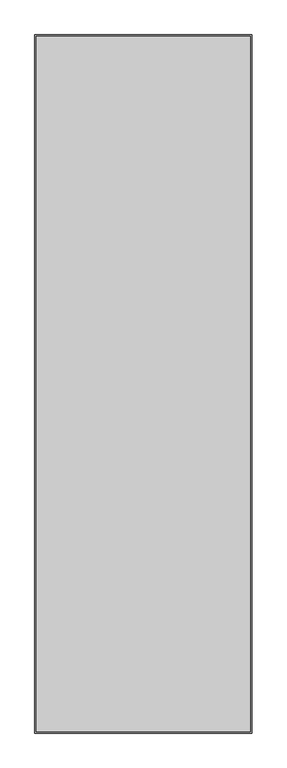
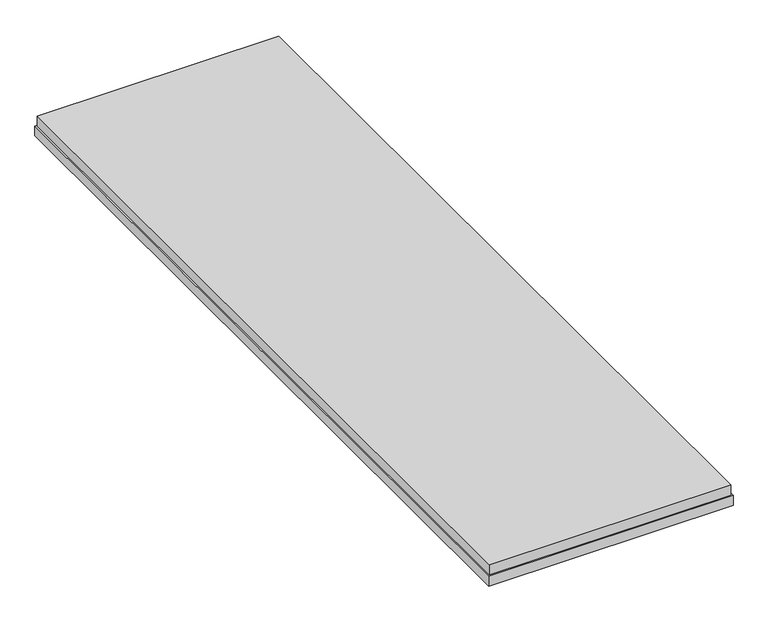
"""IFC4 building model written with IfcOpenShell, lengths in millimetres: proxy geometry."""

import ifcopenshell
import ifcopenshell.guid

model = None  # the IFC model being written
_history = None  # IfcOwnerHistory: only IFC2X3 demands one
_inside = {}  # id of a spatial element -> (the spatial element, [elements in it])
_under = {}  # id of a project, library or spatial element -> (it, [spatial elements below it])
_declared = {}  # id of a project -> (the project, [libraries it declares])
_typed = {}  # id of a type object -> (the type object, [elements of that type])
_made_of = {}  # id of a material, layer set ... -> (it, [elements and type objects made of it])


def new_model(schema):
    """Start an empty IFC model of exactly this schema.

    Asked for "IFC4X3", IfcOpenShell would pick the latest addendum, in which some entities
    have other attributes; the version numbers below select the first issue.
    IFC2X3 requires an IfcOwnerHistory on every rooted entity: one is made here for all.
    """
    global model, _history
    if schema == "IFC4X3":
        model = ifcopenshell.file(schema_version=(4, 3, 0, 0))
    else:
        model = ifcopenshell.file(schema=schema)
    _inside.clear()
    _under.clear()
    _declared.clear()
    _typed.clear()
    _made_of.clear()
    _history = None
    if model.schema == "IFC2X3":
        org = make("IfcOrganization", Name="unknown")
        user = make(
            "IfcPersonAndOrganization",
            ThePerson=make("IfcPerson", FamilyName="unknown"),
            TheOrganization=org,
        )
        app = make(
            "IfcApplication",
            ApplicationDeveloper=org,
            Version="unknown",
            ApplicationFullName="unknown",
            ApplicationIdentifier="unknown",
        )
        _history = make(
            "IfcOwnerHistory",
            OwningUser=user,
            OwningApplication=app,
            ChangeAction="ADDED",
            CreationDate=0,
        )
    return model


def make(cls, **values):
    """One entity of the class cls with the attributes given. An attribute that is None is left unset."""
    return model.create_entity(
        cls, **{name: value for name, value in values.items() if value is not None}
    )


def rooted(cls, **values):
    """An entity with a GlobalId (a new one), such as an element, a storey or a relation."""
    return make(cls, GlobalId=ifcopenshell.guid.new(), OwnerHistory=_history, **values)


def si_unit(unit_type, name, prefix=None):
    """IfcSIUnit, for example si_unit("LENGTHUNIT", "METRE", prefix="MILLI")."""
    return make("IfcSIUnit", UnitType=unit_type, Prefix=prefix, Name=name)


def assignment(units):
    """IfcUnitAssignment: the units of a project."""
    return None if units is None else make("IfcUnitAssignment", Units=units)


def point(xyz):
    """IfcCartesianPoint."""
    return None if xyz is None else make("IfcCartesianPoint", Coordinates=xyz)


def direction(xyz):
    """IfcDirection."""
    return None if xyz is None else make("IfcDirection", DirectionRatios=xyz)


def frame(location, z_axis=None, x_axis=None):
    """IfcAxis2Placement3D, a coordinate frame: its origin and axes. An axis left out is left unset."""
    return make(
        "IfcAxis2Placement3D",
        Location=point(location),
        Axis=direction(z_axis),
        RefDirection=direction(x_axis),
    )


def origin():
    """The frame at (0, 0, 0) with its axes left unset."""
    return frame((0.0, 0.0, 0.0))


def place(relative_to, where):
    """IfcLocalPlacement: puts the frame where relative to a parent placement (None: the world)."""
    return make(
        "IfcLocalPlacement", PlacementRelTo=relative_to, RelativePlacement=where
    )


def context(
    kind, dimensions, precision=None, world=None, true_north=None, identifier=None
):
    """IfcGeometricRepresentationContext, for example the 3D "Model" context."""
    return make(
        "IfcGeometricRepresentationContext",
        ContextIdentifier=identifier,
        ContextType=kind,
        CoordinateSpaceDimension=dimensions,
        Precision=precision,
        WorldCoordinateSystem=world,
        TrueNorth=true_north,
    )


def project(units=None, contexts=None):
    """IfcProject with its units and contexts."""
    return rooted(
        "IfcProject",
        Name="project",
        RepresentationContexts=contexts,
        UnitsInContext=assignment(units),
    )


def spatial(cls, under=None, at=None, **own):
    """A site, building, storey or space (cls), placed at a placement, below another one or the project."""
    s = rooted(cls, ObjectPlacement=at, **own)
    if under is not None:
        _under.setdefault(under.id(), (under, []))[1].append(s)
    return s


def polyline(points):
    """IfcPolyline through the points."""
    return make("IfcPolyline", Points=[point(p) for p in points])


def outline(outer, holes=None, kind="AREA"):
    """IfcArbitraryClosedProfileDef: a profile drawn as a closed curve; with holes, ...WithVoids."""
    if holes is None:
        return make("IfcArbitraryClosedProfileDef", ProfileType=kind, OuterCurve=outer)
    return make(
        "IfcArbitraryProfileDefWithVoids",
        ProfileType=kind,
        OuterCurve=outer,
        InnerCurves=holes,
    )


def extrude(swept, where, along, depth):
    """IfcExtrudedAreaSolid: the profile swept, set in the frame where, extruded along a direction by depth."""
    return make(
        "IfcExtrudedAreaSolid",
        SweptArea=swept,
        Position=where,
        ExtrudedDirection=direction(along),
        Depth=depth,
    )


def shape(context_of_items, identifier, shape_type, items):
    """IfcShapeRepresentation: the items that make up one representation, for example the "Body"."""
    return make(
        "IfcShapeRepresentation",
        ContextOfItems=context_of_items,
        RepresentationIdentifier=identifier,
        RepresentationType=shape_type,
        Items=items,
    )


def source(mapping_origin, context_of_items, identifier, shape_type, items):
    """IfcRepresentationMap: a shape defined once, which mapped items show again and again."""
    return make(
        "IfcRepresentationMap",
        MappingOrigin=mapping_origin,
        MappedRepresentation=shape(context_of_items, identifier, shape_type, items),
    )


def transform(
    local_origin,
    x_axis=None,
    y_axis=None,
    z_axis=None,
    scale=None,
    scale2=None,
    scale3=None,
    uniform=True,
):
    """IfcCartesianTransformationOperator3D, or its non-uniform kind. x_axis, y_axis, z_axis: its Axis1, 2, 3."""
    if uniform:
        return make(
            "IfcCartesianTransformationOperator3D",
            Axis1=direction(x_axis),
            Axis2=direction(y_axis),
            LocalOrigin=point(local_origin),
            Scale=scale,
            Axis3=direction(z_axis),
        )
    return make(
        "IfcCartesianTransformationOperator3DnonUniform",
        Axis1=direction(x_axis),
        Axis2=direction(y_axis),
        LocalOrigin=point(local_origin),
        Scale=scale,
        Axis3=direction(z_axis),
        Scale2=scale2,
        Scale3=scale3,
    )


def mapped(mapping_source, mapping_target):
    """IfcMappedItem: shows the shape of a source again, moved by a transform."""
    return make(
        "IfcMappedItem", MappingSource=mapping_source, MappingTarget=mapping_target
    )


def made_of(thing, what):
    """Note that an element or type object is made of a material, layer set ...; save() writes the relation."""
    if what is not None:
        _made_of.setdefault(what.id(), (what, []))[1].append(thing)
    return thing


def element(
    cls,
    number,
    at=None,
    inside=None,
    cuts=None,
    type_object=None,
    material=None,
    context=None,
    identifier="Body",
    shape_type=None,
    held_by="IfcProductDefinitionShape",
    body=None,
    shapes=None,
    **own,
):
    """One element of the class cls, such as IfcWall. Its Tag is "e" and its number.

    at: its placement. inside: the storey or other place that contains it. cuts: it is an
    opening in that element (IfcRelVoidsElement). A single representation is given by context,
    identifier, shape_type and body (its items); several are given by shapes. held_by: the class
    of the entity that holds the representations. save() writes the other relations.
    """
    e = rooted(cls, Tag="e%d" % number, ObjectPlacement=at, **own)
    if body is not None:
        shapes = [shape(context, identifier, shape_type, body)]
    if shapes is not None:
        e.Representation = make(held_by, Representations=shapes)
    if inside is not None:
        _inside.setdefault(inside.id(), (inside, []))[1].append(e)
    if cuts is not None:
        rooted(
            "IfcRelVoidsElement", RelatingBuildingElement=cuts, RelatedOpeningElement=e
        )
    if type_object is not None:
        _typed.setdefault(type_object.id(), (type_object, []))[1].append(e)
    return made_of(e, material)


def aggregate(whole, parts):
    """IfcRelAggregates: a whole, such as a stair, and the parts it consists of."""
    return rooted("IfcRelAggregates", RelatingObject=whole, RelatedObjects=parts)


def save(model, path):
    """Write the relations noted so far, then the file.

    IfcRelAggregates (storeys below a building ...), IfcRelContainedInSpatialStructure (elements
    in a storey), IfcRelDefinesByType, IfcRelAssociatesMaterial and IfcRelDeclares: one each for
    every whole, place, type object, material and project.
    """
    for whole, parts in _under.values():
        aggregate(whole, parts)
    for where, things in _inside.values():
        rooted(
            "IfcRelContainedInSpatialStructure",
            RelatedElements=things,
            RelatingStructure=where,
        )
    for kind, things in _typed.values():
        rooted("IfcRelDefinesByType", RelatedObjects=things, RelatingType=kind)
    for what, things in _made_of.values():
        rooted("IfcRelAssociatesMaterial", RelatedObjects=things, RelatingMaterial=what)
    for by, libraries in _declared.values():
        rooted("IfcRelDeclares", RelatingContext=by, RelatedDefinitions=libraries)
    model.write(path)


def generic_models_a761f7a4(model_context):
    return source(origin(), model_context, "Body", "SweptSolid", [
        extrude(outline(polyline([(699.5, 368.0), (106.0, 368.0), (106.0, 2293.0), (699.5, 2293.0), (699.5, 368.0)])), frame((0.0, 0.0, -43.0), z_axis=(0.0, 0.0, 1.0), x_axis=(1.0, 0.0, 0.0)), (0.0, 0.0, 1.0), 27.0),
        extrude(outline(polyline([(102.0, 364.0), (102.0, 2297.0), (703.5, 2297.0), (703.5, 364.0), (102.0, 364.0)]), holes=[polyline([(685.5, 382.0), (685.5, 2279.0), (120.0, 2279.0), (120.0, 382.0), (685.5, 382.0)])]), frame((0.0, 0.0, -68.0), z_axis=(0.0, 0.0, 1.0), x_axis=(1.0, 0.0, 0.0)), (0.0, 0.0, 1.0), 25.0),
    ])


if __name__ == "__main__":
    model = new_model("IFC4")
    model_context = context("Model", 3, world=origin())
    ifc_project = project(units=[si_unit("LENGTHUNIT", "METRE", prefix="MILLI")], contexts=[model_context])
    site = spatial("IfcSite", under=ifc_project)
    building = spatial("IfcBuilding", under=site)
    placement = place(None, origin())
    generic_models_shape = generic_models_a761f7a4(model_context)
    element("IfcBuildingElementProxy", 1, Name="Generic Models", at=placement, inside=building, context=model_context, shape_type="MappedRepresentation", body=[
        mapped(generic_models_shape, transform((0.0, 0.0, 0.0), x_axis=(1.0, 0.0, 0.0), y_axis=(0.0, 1.0, 0.0), z_axis=(0.0, 0.0, 1.0))),
    ])
    save(model, "model.ifc")
